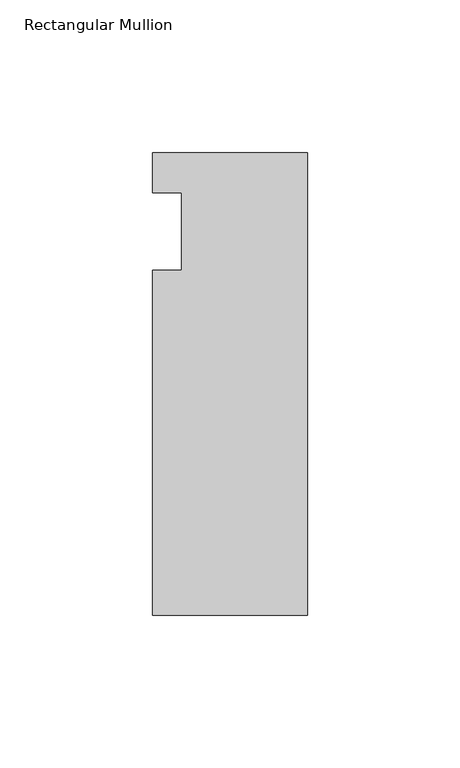
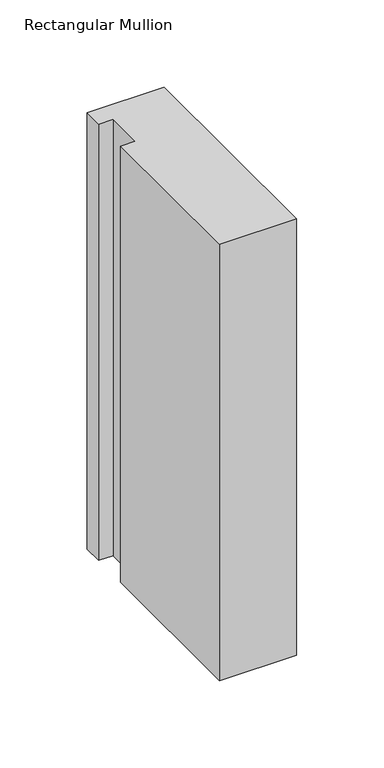
"""IFC4 building model written with IfcOpenShell, lengths in millimetres: member geometry, Rectangular Mullion."""

from ifc_helpers import new_model, si_unit, frame, origin, place, context, project, spatial, polyline, outline, extrude, source, transform, mapped, element, save


def rectangular_mullion_c7d6e6ad(model_context):
    return source(origin(), model_context, "Body", "SweptSolid", [
        extrude(outline(polyline([(-50.8, 25.7961253), (0.0, 25.7961253), (0.0, -125.8036906), (-50.8, -125.8036906), (-50.8, -12.7), (-41.275, -12.7), (-41.275, 12.7), (-50.8, 12.7), (-50.8, 25.7961253)])), frame((0.0, 0.0, -304.8), z_axis=(0.0, 0.0, 1.0), x_axis=(1.0, 0.0, 0.0)), (0.0, 0.0, 1.0), 304.8),
    ])


if __name__ == "__main__":
    model = new_model("IFC4")
    model_context = context("Model", 3, world=origin())
    ifc_project = project(units=[si_unit("LENGTHUNIT", "METRE", prefix="MILLI")], contexts=[model_context])
    site = spatial("IfcSite", under=ifc_project)
    building = spatial("IfcBuilding", under=site)
    placement = place(None, origin())
    rectangular_mullion_shape = rectangular_mullion_c7d6e6ad(model_context)
    element("IfcMember", 1, ObjectType="Rectangular Mullion", at=placement, inside=building, context=model_context, shape_type="MappedRepresentation", body=[
        mapped(rectangular_mullion_shape, transform((0.0, 0.0, 0.0), x_axis=(1.0, 0.0, 0.0), y_axis=(0.0, 1.0, 0.0), z_axis=(0.0, 0.0, 1.0))),
    ])
    save(model, "model.ifc")
